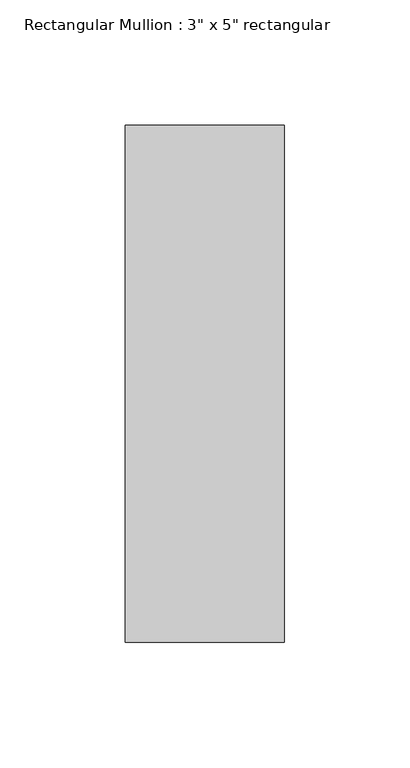
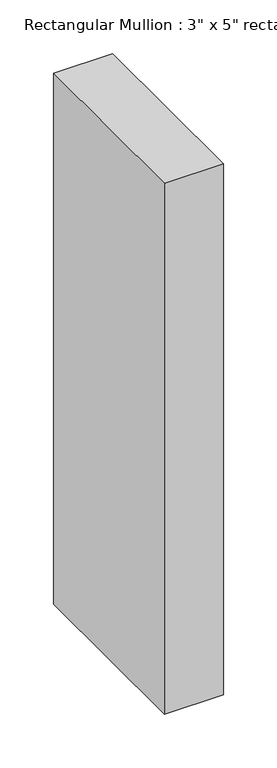
"""IFC4 building model written with IfcOpenShell, lengths in millimetres: member geometry."""

from ifc_helpers import new_model, si_unit, frame, origin, place, context, project, spatial, polyline, outline, extrude, source, transform, mapped, element, save


def member_15af2b87(model_context):
    return source(origin(), model_context, "Body", "SweptSolid", [
        extrude(outline(polyline([(31.75, 90.551), (31.75, -115.951), (-31.75, -115.951), (-31.75, 90.551), (31.75, 90.551)])), frame((0.0, 0.0, -603.25), z_axis=(0.0, 0.0, 1.0), x_axis=(1.0, 0.0, 0.0)), (0.0, 0.0, 1.0), 603.25),
    ])


if __name__ == "__main__":
    model = new_model("IFC4")
    model_context = context("Model", 3, world=origin())
    ifc_project = project(units=[si_unit("LENGTHUNIT", "METRE", prefix="MILLI")], contexts=[model_context])
    site = spatial("IfcSite", under=ifc_project)
    building = spatial("IfcBuilding", under=site)
    placement = place(None, origin())
    member_shape = member_15af2b87(model_context)
    element("IfcMember", 1, ObjectType="Rectangular Mullion : 3\" x 5\" rectangular", at=placement, inside=building, context=model_context, shape_type="MappedRepresentation", body=[
        mapped(member_shape, transform((0.0, 0.0, 0.0), x_axis=(1.0, 0.0, 0.0), y_axis=(0.0, 1.0, 0.0), z_axis=(0.0, 0.0, 1.0))),
    ])
    save(model, "model.ifc")
